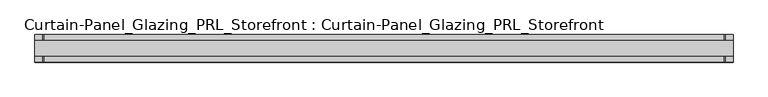
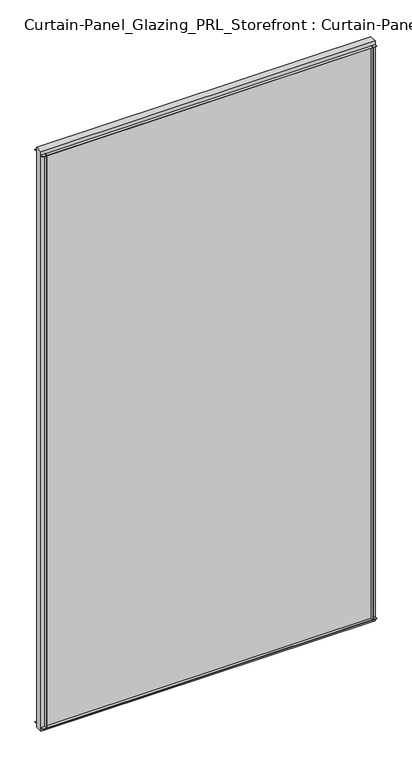
"""IFC4 building model written with IfcOpenShell, lengths in millimetres: plate geometry, Curtain-Panel_Glazing_PRL_Storefront : Curtain-Panel_Glazing_PRL_Storefront."""

from ifc_helpers import new_model, si_unit, frame, origin, origin_with_axes, place, context, project, spatial, polyline, outline, extrude, source, transform, mapped, element, save


def curtain_panel_glazing_prl_storefront_curtain_panel_glazing_8fcacea2(model_context):
    return source(origin(), model_context, "Body", "SweptSolid", [
        extrude(outline(polyline([(530.225, -22.225), (528.6375, -22.225), (528.6375, -12.7), (530.225, -12.7), (530.225, -22.225)])), frame((0.0, 0.0, 12.7), z_axis=(0.0, 0.0, 1.0), x_axis=(1.0, 0.0, 0.0)), (0.0, 0.0, 1.0), 2047.08125),
        extrude(outline(polyline([(530.225, 22.225), (530.225, 12.7), (528.6375, 12.7), (528.6375, 22.225), (530.225, 22.225)])), frame((0.0, 0.0, 12.7), z_axis=(0.0, 0.0, 1.0), x_axis=(1.0, 0.0, 0.0)), (0.0, 0.0, 1.0), 2047.08125),
        extrude(outline(polyline([(-574.675, -22.225), (-574.675, -12.7), (-573.0875, -12.7), (-573.0875, -22.225), (-574.675, -22.225)])), frame((0.0, 0.0, 12.7), z_axis=(0.0, 0.0, 1.0), x_axis=(1.0, 0.0, 0.0)), (0.0, 0.0, 1.0), 2047.08125),
        extrude(outline(polyline([(-574.675, 22.225), (-573.0875, 22.225), (-573.0875, 12.7), (-574.675, 12.7), (-574.675, 22.225)])), frame((0.0, 0.0, 12.7), z_axis=(0.0, 0.0, 1.0), x_axis=(1.0, 0.0, 0.0)), (0.0, 0.0, 1.0), 2047.08125),
        extrude(outline(polyline([(542.925, 12.7), (542.925, -12.7), (-587.375, -12.7), (-587.375, 12.7), (542.925, 12.7)])), origin_with_axes(), (0.0, 0.0, 1.0), 2072.48125),
        extrude(outline(polyline([(-587.375, -22.225), (-587.375, -12.7), (542.925, -12.7), (542.925, -22.225), (-587.375, -22.225)])), frame((0.0, 0.0, 2058.19375), z_axis=(0.0, 0.0, 1.0), x_axis=(1.0, 0.0, 0.0)), (0.0, 0.0, 1.0), 1.5875),
        extrude(outline(polyline([(-587.375, 22.225), (542.925, 22.225), (542.925, 12.7), (-587.375, 12.7), (-587.375, 22.225)])), frame((0.0, 0.0, 2058.19375), z_axis=(0.0, 0.0, 1.0), x_axis=(1.0, 0.0, 0.0)), (0.0, 0.0, 1.0), 1.5875),
        extrude(outline(polyline([(-587.375, -22.225), (-587.375, -12.7), (542.925, -12.7), (542.925, -22.225), (-587.375, -22.225)])), frame((0.0, 0.0, 12.7), z_axis=(0.0, 0.0, 1.0), x_axis=(1.0, 0.0, 0.0)), (0.0, 0.0, 1.0), 1.5875),
        extrude(outline(polyline([(-587.375, 22.225), (542.925, 22.225), (542.925, 12.7), (-587.375, 12.7), (-587.375, 22.225)])), frame((0.0, 0.0, 12.7), z_axis=(0.0, 0.0, 1.0), x_axis=(1.0, 0.0, 0.0)), (0.0, 0.0, 1.0), 1.5875),
    ])


if __name__ == "__main__":
    model = new_model("IFC4")
    model_context = context("Model", 3, world=origin())
    ifc_project = project(units=[si_unit("LENGTHUNIT", "METRE", prefix="MILLI")], contexts=[model_context])
    site = spatial("IfcSite", under=ifc_project)
    building = spatial("IfcBuilding", under=site)
    placement = place(None, origin())
    curtain_panel_glazing_prl_storefront_curtain_panel_glazing_shape = curtain_panel_glazing_prl_storefront_curtain_panel_glazing_8fcacea2(model_context)
    element("IfcPlate", 1, ObjectType="Curtain-Panel_Glazing_PRL_Storefront : Curtain-Panel_Glazing_PRL_Storefront", at=placement, inside=building, context=model_context, shape_type="MappedRepresentation", body=[
        mapped(curtain_panel_glazing_prl_storefront_curtain_panel_glazing_shape, transform((0.0, 0.0, 0.0), x_axis=(1.0, 0.0, 0.0), y_axis=(0.0, 1.0, 0.0), z_axis=(0.0, 0.0, 1.0))),
    ])
    save(model, "model.ifc")
